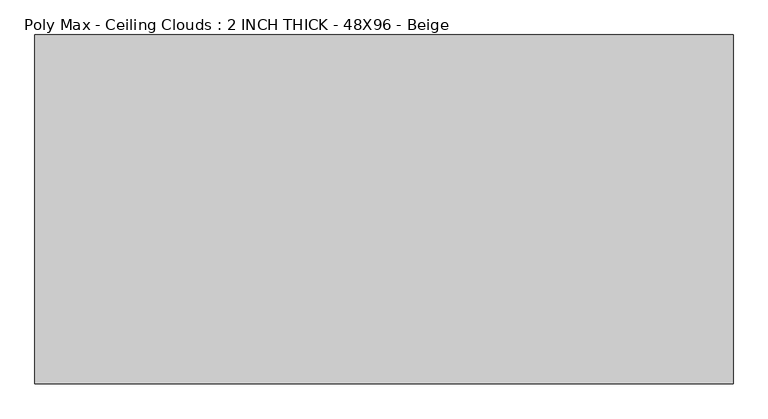
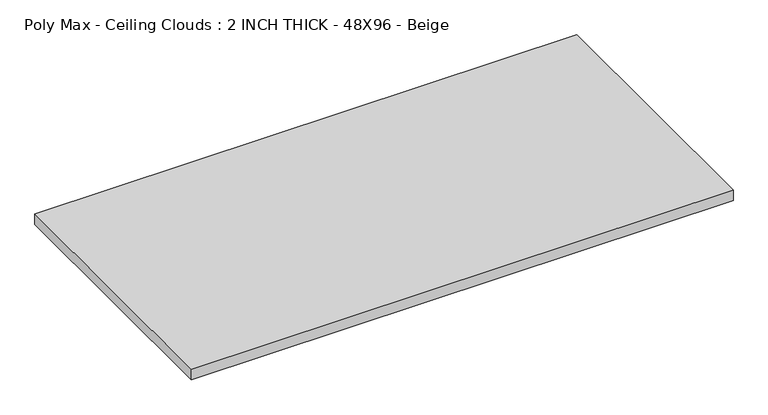
"""IFC4 building model written with IfcOpenShell, lengths in millimetres: proxy geometry, Poly Max - Ceiling Clouds : 2 INCH THICK - 48X96 - Beige."""

from ifc_helpers import new_model, si_unit, origin, origin_with_axes, place, context, project, spatial, polyline, outline, extrude, source, transform, mapped, element, save


def poly_max_ceiling_clouds_2_inch_thick_48x96_beige_53a8713e(model_context):
    return source(origin(), model_context, "Body", "SweptSolid", [
        extrude(outline(polyline([(-1219.2, 609.6), (1219.2, 609.6), (1219.2, -609.6), (-1219.2, -609.6), (-1219.2, 609.6)])), origin_with_axes(), (0.0, 0.0, 1.0), 50.8),
    ])


if __name__ == "__main__":
    model = new_model("IFC4")
    model_context = context("Model", 3, world=origin())
    ifc_project = project(units=[si_unit("LENGTHUNIT", "METRE", prefix="MILLI")], contexts=[model_context])
    site = spatial("IfcSite", under=ifc_project)
    building = spatial("IfcBuilding", under=site)
    placement = place(None, origin())
    poly_max_ceiling_clouds_2_inch_thick_48x96_beige_shape = poly_max_ceiling_clouds_2_inch_thick_48x96_beige_53a8713e(model_context)
    element("IfcBuildingElementProxy", 1, Name="Poly Max - Ceiling Clouds : 2 INCH THICK - 48X96 - Beige", ObjectType="Poly Max - Ceiling Clouds : 2 INCH THICK - 48X96 - Beige", at=placement, inside=building, context=model_context, shape_type="MappedRepresentation", body=[
        mapped(poly_max_ceiling_clouds_2_inch_thick_48x96_beige_shape, transform((0.0, 0.0, 0.0), x_axis=(1.0, 0.0, 0.0), y_axis=(0.0, 1.0, 0.0), z_axis=(0.0, 0.0, 1.0))),
    ])
    save(model, "model.ifc")
